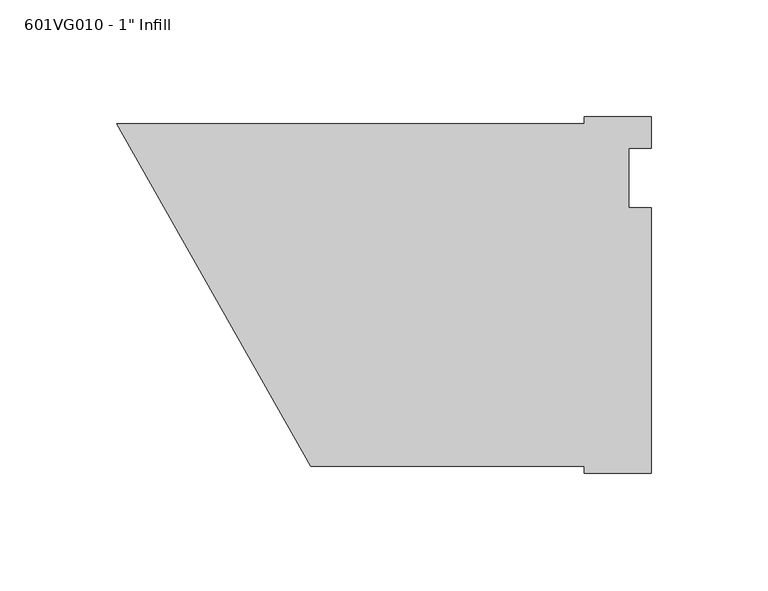
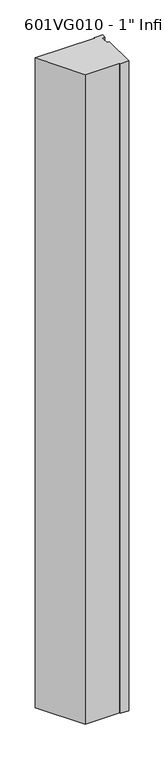
"""IFC4 building model written with IfcOpenShell, lengths in millimetres: proxy geometry."""

from ifc_helpers import new_model, si_unit, frame, origin, place, context, project, spatial, polyline, outline, extrude, source, transform, mapped, element, save


def proxy_d3079528(model_context):
    return source(origin(), model_context, "Body", "SweptSolid", [
        extrude(outline(polyline([(228.6, 26.19375), (228.6, 12.7), (219.075, 12.7), (219.075, -12.7), (228.6, -12.7), (228.6, -126.20625), (200.0711005, -126.20625), (200.0711005, -123.34875), (82.99038, -123.34875), (0.0, 23.33625), (199.9581978, 23.33625), (199.9581978, 26.19375), (228.6, 26.19375)])), frame((0.0, 0.0, 63.5), z_axis=(0.0, 0.0, 1.0), x_axis=(1.0, 0.0, 0.0)), (0.0, 0.0, 1.0), 2317.75),
    ])


if __name__ == "__main__":
    model = new_model("IFC4")
    model_context = context("Model", 3, world=origin())
    ifc_project = project(units=[si_unit("LENGTHUNIT", "METRE", prefix="MILLI")], contexts=[model_context])
    site = spatial("IfcSite", under=ifc_project)
    building = spatial("IfcBuilding", under=site)
    placement = place(None, origin())
    proxy_shape = proxy_d3079528(model_context)
    element("IfcBuildingElementProxy", 1, Name="601VG010 - 1\" Infill", ObjectType="601VG010 - 1\" Infill", at=placement, inside=building, context=model_context, shape_type="MappedRepresentation", body=[
        mapped(proxy_shape, transform((0.0, 0.0, 0.0), x_axis=(1.0, 0.0, 0.0), y_axis=(0.0, 1.0, 0.0), z_axis=(0.0, 0.0, 1.0))),
    ])
    save(model, "model.ifc")
